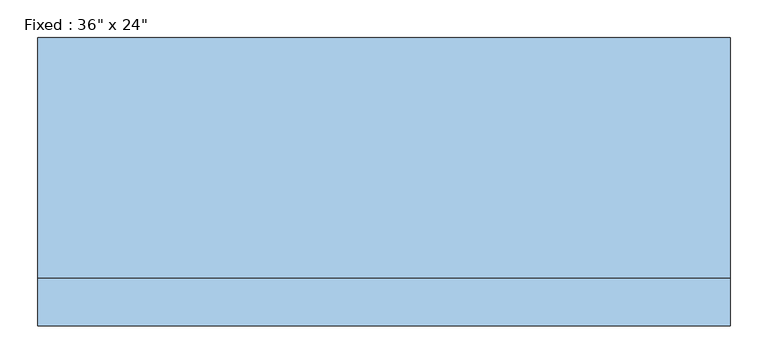
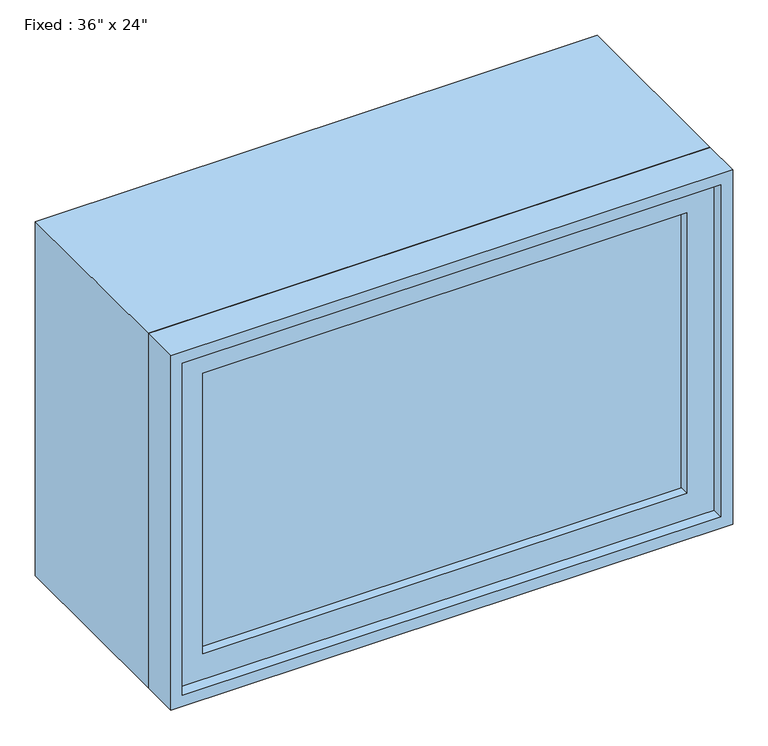
"""IFC4 building model written with IfcOpenShell, lengths in millimetres: window geometry."""

from ifc_helpers import new_model, si_unit, frame, origin, place, context, project, spatial, polyline, outline, extrude, source, transform, mapped, element, save


def window_bee5166f(model_context):
    return source(origin(), model_context, "Body", "SweptSolid", [
        extrude(outline(polyline([(355.6, -142.875), (355.6, -155.575), (-431.8, -155.575), (-431.8, -142.875), (355.6, -142.875)])), frame((0.0, 0.0, 977.9), z_axis=(0.0, 0.0, 1.0), x_axis=(1.0, 0.0, 0.0)), (0.0, 0.0, 1.0), 482.6),
        extrude(outline(polyline([(1504.95, -476.25), (933.45, -476.25), (933.45, 400.05), (1504.95, 400.05), (1504.95, -476.25)]), holes=[polyline([(1460.5, -431.8), (1460.5, 355.6), (977.9, 355.6), (977.9, -431.8), (1460.5, -431.8)])]), frame((0.0, -171.45, 0.0), z_axis=(0.0, 1.0, 0.0), x_axis=(0.0, 0.0, 1.0)), (0.0, 0.0, 1.0), 44.45),
        extrude(outline(polyline([(1524.0, -495.3), (914.4, -495.3), (914.4, 419.1), (1524.0, 419.1), (1524.0, -495.3)]), holes=[polyline([(1492.25, -463.55), (1492.25, 387.35), (946.15, 387.35), (946.15, -463.55), (1492.25, -463.55)])]), frame((0.0, -127.0, 0.0), z_axis=(0.0, 1.0, 0.0), x_axis=(0.0, 0.0, 1.0)), (0.0, 0.0, 1.0), 317.5),
        extrude(outline(polyline([(1524.0, 419.1), (1524.0, -495.3), (914.4, -495.3), (914.4, 419.1), (1524.0, 419.1)]), holes=[polyline([(1504.95, 400.05), (933.45, 400.05), (933.45, -476.25), (1504.95, -476.25), (1504.95, 400.05)])]), frame((0.0, -190.5, 0.0), z_axis=(0.0, 1.0, 0.0), x_axis=(0.0, 0.0, 1.0)), (0.0, 0.0, 1.0), 63.5),
    ])


if __name__ == "__main__":
    model = new_model("IFC4")
    model_context = context("Model", 3, world=origin())
    ifc_project = project(units=[si_unit("LENGTHUNIT", "METRE", prefix="MILLI")], contexts=[model_context])
    site = spatial("IfcSite", under=ifc_project)
    building = spatial("IfcBuilding", under=site)
    placement = place(None, origin())
    window_shape = window_bee5166f(model_context)
    element("IfcWindow", 1, ObjectType="Fixed : 36\" x 24\"", at=placement, inside=building, context=model_context, shape_type="MappedRepresentation", body=[
        mapped(window_shape, transform((0.0, 0.0, 0.0), x_axis=(1.0, 0.0, 0.0), y_axis=(0.0, 1.0, 0.0), z_axis=(0.0, 0.0, 1.0))),
    ])
    save(model, "model.ifc")
